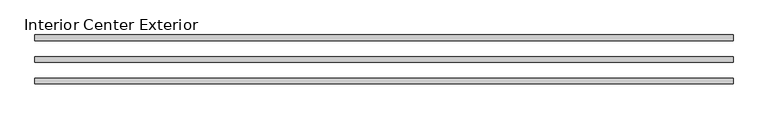
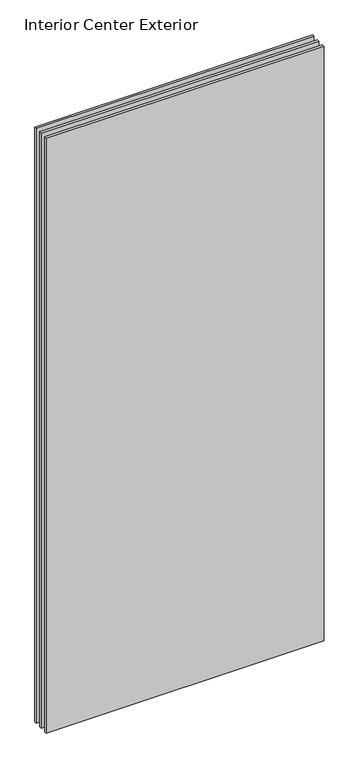
"""IFC4 building model written with IfcOpenShell, lengths in millimetres: plate geometry, Interior Center Exterior."""

from ifc_helpers import new_model, si_unit, frame, origin, place, context, project, spatial, polyline, outline, extrude, source, transform, mapped, element, save


def interior_center_exterior_c8c98f7d(model_context):
    return source(origin(), model_context, "Body", "SweptSolid", [
        extrude(outline(polyline([(577.5999998, -4.7625), (-601.4124998, -4.7625), (-601.4124998, 4.7625), (577.5999998, 4.7625), (577.5999998, -4.7625)])), frame((0.0, 0.0, 31.75), z_axis=(0.0, 0.0, 1.0), x_axis=(1.0, 0.0, 0.0)), (0.0, 0.0, 1.0), 2666.4999996),
        extrude(outline(polyline([(577.5999998, -41.275), (-601.4124998, -41.275), (-601.4124998, -31.75), (577.5999998, -31.75), (577.5999998, -41.275)])), frame((0.0, 0.0, 31.75), z_axis=(0.0, 0.0, 1.0), x_axis=(1.0, 0.0, 0.0)), (0.0, 0.0, 1.0), 2666.4999996),
        extrude(outline(polyline([(577.5999998, 41.275), (577.5999998, 31.75), (-601.4124998, 31.75), (-601.4124998, 41.275), (577.5999998, 41.275)])), frame((0.0, 0.0, 31.75), z_axis=(0.0, 0.0, 1.0), x_axis=(1.0, 0.0, 0.0)), (0.0, 0.0, 1.0), 2666.4999996),
    ])


if __name__ == "__main__":
    model = new_model("IFC4")
    model_context = context("Model", 3, world=origin())
    ifc_project = project(units=[si_unit("LENGTHUNIT", "METRE", prefix="MILLI")], contexts=[model_context])
    site = spatial("IfcSite", under=ifc_project)
    building = spatial("IfcBuilding", under=site)
    placement = place(None, origin())
    interior_center_exterior_shape = interior_center_exterior_c8c98f7d(model_context)
    element("IfcPlate", 1, ObjectType="Interior Center Exterior", at=placement, inside=building, context=model_context, shape_type="MappedRepresentation", body=[
        mapped(interior_center_exterior_shape, transform((0.0, 0.0, 0.0), x_axis=(1.0, 0.0, 0.0), y_axis=(0.0, 1.0, 0.0), z_axis=(0.0, 0.0, 1.0))),
    ])
    save(model, "model.ifc")
